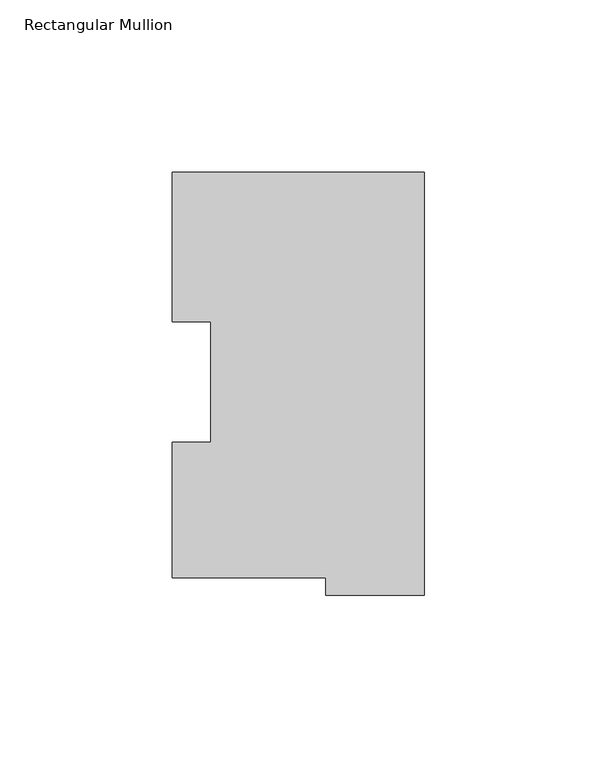
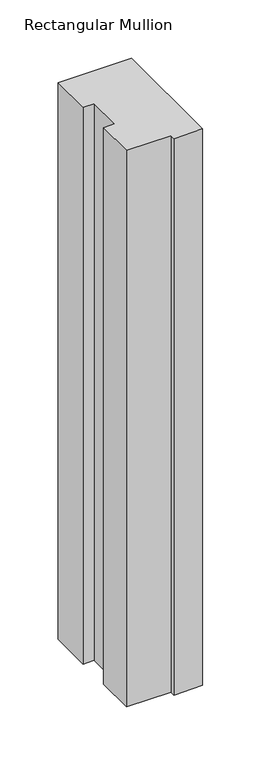
"""IFC4 building model written with IfcOpenShell, lengths in millimetres: member geometry, Rectangular Mullion."""

from ifc_helpers import new_model, si_unit, frame, origin, place, context, project, spatial, polyline, outline, extrude, source, transform, mapped, element, save


def rectangular_mullion_be09bab0(model_context):
    return source(origin(), model_context, "Body", "SweptSolid", [
        extrude(outline(polyline([(-73.025, 117.827425), (0.0, 117.827425), (0.0, -4.778375), (-28.575, -4.778375), (-28.575, 0.225425), (-73.025, 0.225425), (-73.025, 39.646225), (-61.9252, 39.646225), (-61.9252, 74.596625), (-73.025, 74.596625), (-73.025, 117.827425)])), frame((0.0, 0.0, -584.2), z_axis=(0.0, 0.0, 1.0), x_axis=(1.0, 0.0, 0.0)), (0.0, 0.0, 1.0), 584.2),
    ])


if __name__ == "__main__":
    model = new_model("IFC4")
    model_context = context("Model", 3, world=origin())
    ifc_project = project(units=[si_unit("LENGTHUNIT", "METRE", prefix="MILLI")], contexts=[model_context])
    site = spatial("IfcSite", under=ifc_project)
    building = spatial("IfcBuilding", under=site)
    placement = place(None, origin())
    rectangular_mullion_shape = rectangular_mullion_be09bab0(model_context)
    element("IfcMember", 1, ObjectType="Rectangular Mullion", at=placement, inside=building, context=model_context, shape_type="MappedRepresentation", body=[
        mapped(rectangular_mullion_shape, transform((0.0, 0.0, 0.0), x_axis=(1.0, 0.0, 0.0), y_axis=(0.0, 1.0, 0.0), z_axis=(0.0, 0.0, 1.0))),
    ])
    save(model, "model.ifc")
